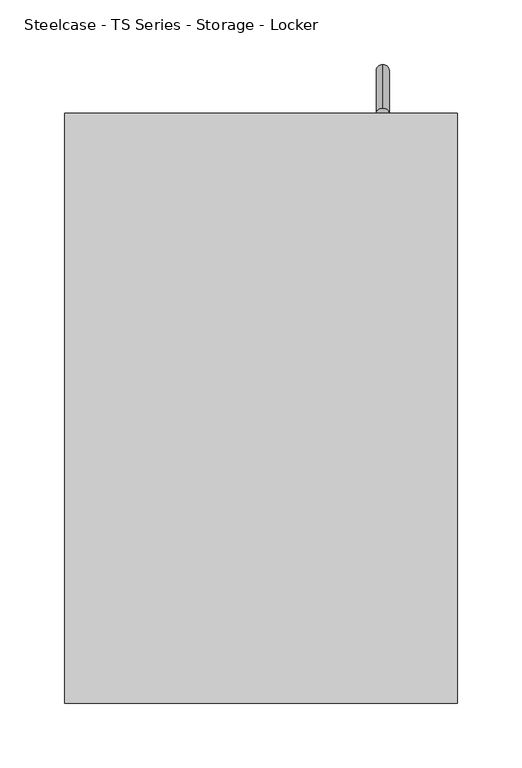
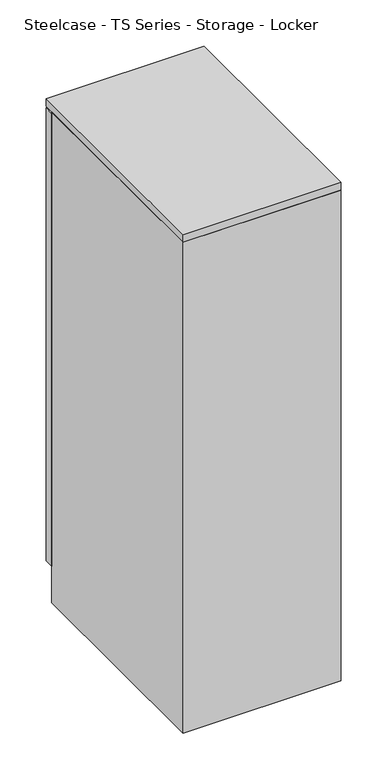
"""IFC4 building model written with IfcOpenShell, lengths in millimetres: furniture geometry, Steelcase - TS Series - Storage - Locker."""

from ifc_helpers import new_model, si_unit, point, frame, origin, place, context, project, spatial, polyline, circle_curve, ellipse_curve, trimmed, outline, extrude, source, transform, mapped, element, save
from ifc_brep_helpers import plane_surface, revolved_surface, advanced_brep


def steelcase_ts_series_storage_locker_6bcc3c6d(model_context):
    return source(origin(), model_context, "Body", "SolidModel", [
        extrude(outline(polyline([(957.3594429, 1262.4261191), (652.5594429, 1262.4261191), (652.5594429, 1281.555491), (957.3594429, 1281.555491), (957.3594429, 1262.4261191)])), frame((0.0, 0.0, 73.6983116), z_axis=(0.0, 0.0, 1.0), x_axis=(1.0, 0.0, 0.0)), (0.0, 0.0, 1.0), 921.6638977),
        extrude(outline(polyline([(957.3594429, 824.355491), (652.5594429, 824.355491), (652.5594429, 1262.4261191), (957.3594429, 1262.4261191), (957.3594429, 824.355491)])), frame((0.0, 0.0, -0.4698682), z_axis=(0.0, 0.0, 1.0), x_axis=(1.0, 0.0, 0.0)), (0.0, 0.0, 1.0), 999.0074651),
        advanced_brep(
        [(899.4155717, 1277.9900113, 700.2621476), (899.4155717, 1285.1209708, 693.025089), (899.4155717, 1277.9900113, 848.5956247), (899.4155717, 1285.1209708, 855.8326834)],
        [
            (0, 1, circle_curve(frame((899.4155717, 1281.555491, 696.6436183), z_axis=(0.0, -0.7123089189552949, -0.7018660869259457), x_axis=(0.0, 0.7018660869259457, -0.7123089189552949)), 5.08)),
            (1, 0, circle_curve(frame((899.4155717, 1281.555491, 696.6436183), z_axis=(0.0, -0.7123089189552949, -0.7018660869259457), x_axis=(0.0, 0.7018660869259457, -0.7123089189552949)), 5.08)),
            (2, 3, circle_curve(frame((899.4155717, 1281.555491, 852.2141541), z_axis=(0.0, -0.7123089189553143, 0.7018660869259259), x_axis=(0.0, 0.7018660869259259, 0.7123089189553143)), 5.08)),
            (3, 2, circle_curve(frame((899.4155717, 1281.555491, 852.2141541), z_axis=(0.0, -0.7123089189553143, 0.7018660869259259), x_axis=(0.0, 0.7018660869259259, 0.7123089189553143)), 5.08)),
            (2, 0, circle_curve(frame((899.4155717, 1204.910597, 774.4288862), z_axis=(-1.0, 0.0, 0.0), x_axis=(0.0, 0.7018660869259457, -0.7123089189552949)), 104.1215919)),
            (1, 3, circle_curve(frame((899.4155717, 1204.910597, 774.4288862), z_axis=(1.0, 0.0, 0.0), x_axis=(0.0, 0.7018660869259457, -0.7123089189552949)), 114.2815919)),
        ],
        [
            plane_surface(frame((899.4155717, 1281.555491, 696.6436183), z_axis=(0.0, -0.7123089189552949, -0.7018660869259457), x_axis=(1.0, 0.0, 0.0))),
            plane_surface(frame((899.4155717, 1281.555491, 852.2141541), z_axis=(0.0, -0.7123089189553145, 0.701866086925926), x_axis=(1.0, 0.0, 0.0))),
            revolved_surface(trimmed(ellipse_curve(frame((899.4155717, 1281.555491, 696.6436183), z_axis=(0.0, 0.7123089189552949, 0.7018660869259457), x_axis=(0.0, 0.7018660869259457, -0.7123089189552949)), 5.08, 5.08), [point((899.4155717, 1277.9900113, 700.2621476))], [point((899.4155717, 1285.1209708, 693.025089))], True, "CARTESIAN"), (899.4155717, 1204.910597, 774.4288862), (-1.0, 0.0, 0.0)),
            revolved_surface(trimmed(ellipse_curve(frame((899.4155717, 1281.555491, 696.6436183), z_axis=(0.0, 0.7123089189552949, 0.7018660869259457), x_axis=(0.0, 0.7018660869259457, -0.7123089189552949)), 5.08, 5.08), [point((899.4155717, 1285.1209708, 693.025089))], [point((899.4155717, 1277.9900113, 700.2621476))], True, "CARTESIAN"), (899.4155717, 1204.910597, 774.4288862), (-1.0, 0.0, 0.0)),
        ],
        [
            (0, [[1, 2]]),
            (1, [[3, 4]]),
            (2, [[-3, 5, -2, 6]]),
            (3, [[-4, -6, -1, -5]]),
        ],
    ),
        extrude(outline(polyline([(957.3594429, 824.355491), (652.5594429, 824.355491), (652.5594429, 1281.555491), (957.3594429, 1281.555491), (957.3594429, 824.355491)])), frame((0.0, 0.0, 998.5375969), z_axis=(0.0, 0.0, 1.0), x_axis=(1.0, 0.0, 0.0)), (0.0, 0.0, 1.0), 15.8749031),
    ])


if __name__ == "__main__":
    model = new_model("IFC4")
    model_context = context("Model", 3, world=origin())
    ifc_project = project(units=[si_unit("LENGTHUNIT", "METRE", prefix="MILLI")], contexts=[model_context])
    site = spatial("IfcSite", under=ifc_project)
    building = spatial("IfcBuilding", under=site)
    placement = place(None, origin())
    steelcase_ts_series_storage_locker_shape = steelcase_ts_series_storage_locker_6bcc3c6d(model_context)
    element("IfcFurniture", 1, ObjectType="Steelcase - TS Series - Storage - Locker", at=placement, inside=building, context=model_context, shape_type="MappedRepresentation", body=[
        mapped(steelcase_ts_series_storage_locker_shape, transform((0.0, 0.0, 0.0), x_axis=(1.0, 0.0, 0.0), y_axis=(0.0, 1.0, 0.0), z_axis=(0.0, 0.0, 1.0))),
    ])
    save(model, "model.ifc")
